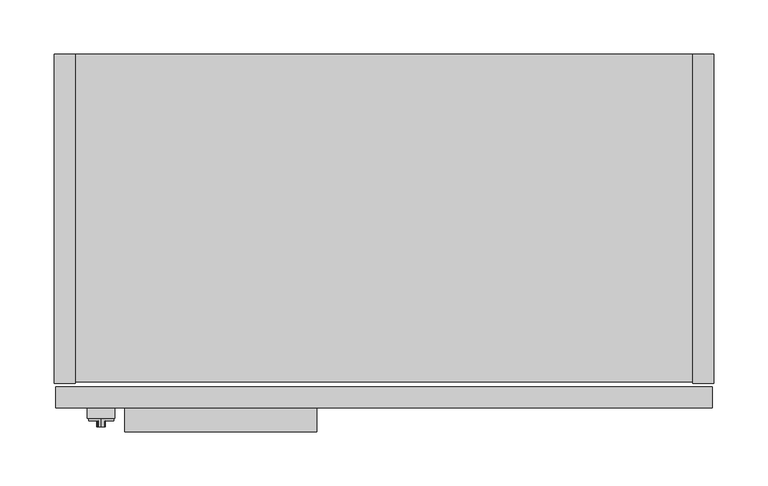
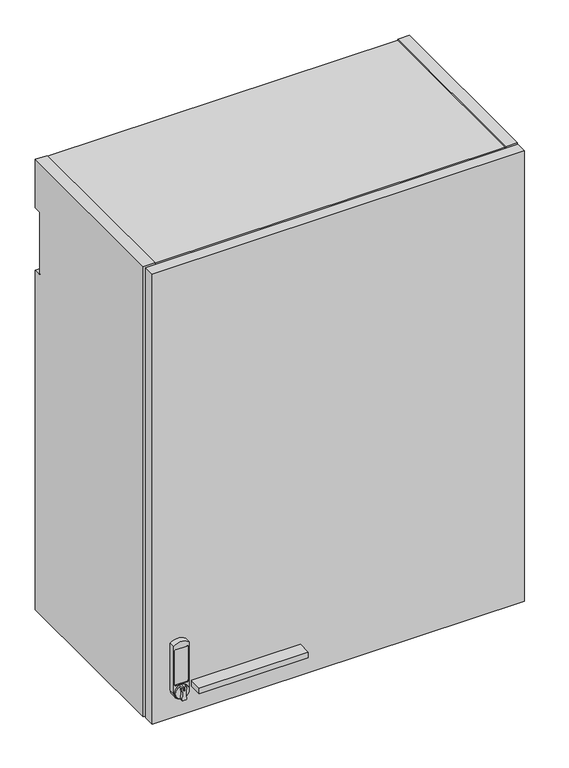
"""IFC4 building model written with IfcOpenShell, lengths in millimetres: furniture geometry."""

from ifc_helpers import new_model, si_unit, point, frame, frame_2d, origin, place, context, project, spatial, polyline, circle_curve, trimmed, segment, composite_curve, outline, extrude, source, transform, mapped, element, save
from ifc_brep_helpers import plane_surface, cylinder_surface, revolved_surface, advanced_brep


def furniture_9d9f69e7(model_context):
    return source(origin(), model_context, "Body", "SolidModel", [
        advanced_brep(
        [(43.4975, -344.551, 2244.5791484), (40.543813, -344.551, 2244.1909161), (39.6305336, -344.551, 2242.4339969), (39.6003845, -344.551, 2223.3009499), (40.543813, -344.551, 2222.1073808), (43.4975, -344.551, 2221.7191484), (46.451187, -344.551, 2222.1073808), (47.3946155, -344.551, 2223.3009499), (47.3644664, -344.551, 2242.4339969), (46.451187, -344.551, 2244.1909161), (42.7355, -344.551, 2242.5617878), (44.2595, -344.551, 2242.5617878), (44.2595, -344.551, 2239.2712263), (42.7355, -344.551, 2239.2712263), (43.4975, -336.931, 2244.5791484), (43.4975, -336.931, 2221.7191484), (46.451187, -339.1034403, 2244.1909161), (46.451187, -339.1034403, 2222.1073808), (40.543813, -339.1034403, 2222.1073808), (40.543813, -339.1034403, 2244.1909161), (39.6003845, -339.1034403, 2223.3009499), (39.6305336, -339.1034403, 2242.4339969), (47.3946155, -339.1034403, 2223.3009499), (47.3644664, -339.1034403, 2242.4339969), (42.7355, -343.3268699, 2239.2712263), (44.2595, -343.3268699, 2239.2712263), (44.2595, -343.3268699, 2242.5617878), (42.7355, -343.3268699, 2242.5617878)],
        [
            (0, 1, circle_curve(frame((43.4975, -344.551, 2233.1491484), z_axis=(0.0, -1.0, 0.0), x_axis=(0.0, 0.0, -1.0)), 11.43)),
            (1, 2, circle_curve(frame((41.08404, -344.551, 2242.7942665), z_axis=(0.0, -1.0, 0.0), x_axis=(0.0, 0.0, -1.0)), 1.4974896)),
            (2, 3, circle_curve(frame((1.2781576, -344.551, 2232.9278836), z_axis=(0.0, 1.0, 0.0), x_axis=(0.0, 0.0, -1.0)), 39.512921)),
            (3, 4, circle_curve(frame((41.08404, -344.551, 2223.5040303), z_axis=(0.0, -1.0, 0.0), x_axis=(0.0, 0.0, -1.0)), 1.4974896)),
            (4, 5, circle_curve(frame((43.4975, -344.551, 2233.1491484), z_axis=(0.0, -1.0, 0.0), x_axis=(0.0, 0.0, -1.0)), 11.43)),
            (5, 6, circle_curve(frame((43.4975, -344.551, 2233.1491484), z_axis=(0.0, -1.0, 0.0), x_axis=(0.0, 0.0, -1.0)), 11.43)),
            (6, 7, circle_curve(frame((45.91096, -344.551, 2223.5040303), z_axis=(0.0, -1.0, 0.0), x_axis=(0.0, 0.0, -1.0)), 1.4974896)),
            (7, 8, circle_curve(frame((85.7168424, -344.551, 2232.9278836), z_axis=(0.0, 1.0, 0.0), x_axis=(0.0, 0.0, -1.0)), 39.512921)),
            (8, 9, circle_curve(frame((45.91096, -344.551, 2242.7942665), z_axis=(0.0, -1.0, 0.0), x_axis=(0.0, 0.0, -1.0)), 1.4974896)),
            (9, 0, circle_curve(frame((43.4975, -344.551, 2233.1491484), z_axis=(0.0, -1.0, 0.0), x_axis=(0.0, 0.0, -1.0)), 11.43)),
            (10, 11, circle_curve(frame((43.4975, -344.551, 2242.5617878), z_axis=(0.0, 1.0, 0.0), x_axis=(0.0, 0.0, -1.0)), 0.762)),
            (11, 12),
            (12, 13, circle_curve(frame((43.4975, -344.551, 2239.2712263), z_axis=(0.0, 1.0, 0.0), x_axis=(0.0, 0.0, 1.0)), 0.762)),
            (13, 10),
            (14, 15, circle_curve(frame((43.4975, -336.931, 2233.1491484), z_axis=(0.0, 1.0, 0.0), x_axis=(0.0, 0.0, -1.0)), 11.43)),
            (15, 14, circle_curve(frame((43.4975, -336.931, 2233.1491484), z_axis=(0.0, 1.0, 0.0), x_axis=(0.0, 0.0, -1.0)), 11.43)),
            (14, 0),
            (9, 16),
            (16, 17, circle_curve(frame((43.4975, -339.1034403, 2233.1491484), z_axis=(0.0, 1.0, 0.0), x_axis=(0.0, 0.0, -1.0)), 11.43)),
            (17, 6),
            (5, 15),
            (4, 18),
            (18, 19, circle_curve(frame((43.4975, -339.1034403, 2233.1491484), z_axis=(0.0, 1.0, 0.0), x_axis=(0.0, 0.0, -1.0)), 11.43)),
            (19, 1),
            (20, 21, circle_curve(frame((1.2781576, -339.1034403, 2232.9278836), z_axis=(0.0, -1.0, 0.0), x_axis=(0.0, 0.0, -1.0)), 39.512921)),
            (21, 19, circle_curve(frame((41.08404, -339.1034403, 2242.7942665), z_axis=(0.0, 1.0, 0.0), x_axis=(0.0, 0.0, -1.0)), 1.4974896)),
            (18, 20, circle_curve(frame((41.08404, -339.1034403, 2223.5040303), z_axis=(0.0, 1.0, 0.0), x_axis=(0.0, 0.0, -1.0)), 1.4974896)),
            (22, 17, circle_curve(frame((45.91096, -339.1034403, 2223.5040303), z_axis=(0.0, 1.0, 0.0), x_axis=(0.0, 0.0, -1.0)), 1.4974896)),
            (16, 23, circle_curve(frame((45.91096, -339.1034403, 2242.7942665), z_axis=(0.0, 1.0, 0.0), x_axis=(0.0, 0.0, -1.0)), 1.4974896)),
            (23, 22, circle_curve(frame((85.7168424, -339.1034403, 2232.9278836), z_axis=(0.0, -1.0, 0.0), x_axis=(0.0, 0.0, -1.0)), 39.512921)),
            (3, 20),
            (21, 2),
            (23, 8),
            (7, 22),
            (24, 25, circle_curve(frame((43.4975, -343.3268699, 2239.2712263), z_axis=(0.0, -1.0, 0.0), x_axis=(0.0, 0.0, 1.0)), 0.762)),
            (25, 26),
            (26, 27, circle_curve(frame((43.4975, -343.3268699, 2242.5617878), z_axis=(0.0, -1.0, 0.0), x_axis=(0.0, 0.0, -1.0)), 0.762)),
            (27, 24),
            (27, 10),
            (13, 24),
            (26, 11),
            (25, 12),
        ],
        [
            plane_surface(frame((43.4975, -344.551, 2221.7191484), z_axis=(0.0, -1.0, 0.0), x_axis=(-1.0, 0.0, 0.0))),
            plane_surface(frame((43.4975, -336.931, 2221.7191484), z_axis=(0.0, 1.0, 0.0), x_axis=(1.0, 0.0, 0.0))),
            cylinder_surface(frame((43.4975, -336.931, 2233.1491484), z_axis=(0.0, -1.0, 0.0), x_axis=(0.0, 0.0, -1.0)), 11.43),
            plane_surface(frame((41.08404, -339.1034403, 2222.0065407), z_axis=(0.0, -1.0, 0.0), x_axis=(-1.0, 0.0, 0.0))),
            cylinder_surface(frame((41.08404, -339.1034403, 2223.5040303), z_axis=(0.0, 1.0, 0.0), x_axis=(0.0, 0.0, -1.0)), 1.4974896),
            cylinder_surface(frame((41.08404, -339.1034403, 2242.7942665), z_axis=(0.0, 1.0, 0.0), x_axis=(0.0, 0.0, -1.0)), 1.4974896),
            revolved_surface(polyline([(1.2781576, -344.551, 2193.4149626), (1.2781576, -339.1034403, 2193.4149626)]), (1.2781576, -339.1034403, 2232.9278836), (0.0, -1.0, 0.0)),
            revolved_surface(polyline([(85.7168424, -344.551, 2193.4149626), (85.7168424, -339.1034403, 2193.4149626)]), (85.7168424, -327.025, 2232.9278836), (0.0, -1.0, 0.0)),
            cylinder_surface(frame((45.91096, -327.025, 2242.7942665), z_axis=(0.0, 1.0, 0.0), x_axis=(0.0, 0.0, -1.0)), 1.4974896),
            cylinder_surface(frame((45.91096, -327.025, 2223.5040303), z_axis=(0.0, 1.0, 0.0), x_axis=(0.0, 0.0, -1.0)), 1.4974896),
            plane_surface(frame((42.7355, -343.3268699, 2318.3554451), z_axis=(0.0, -1.0, 0.0), x_axis=(0.0, 0.0, -1.0))),
            plane_surface(frame((42.7355, -344.551, 2239.2712263), z_axis=(1.0, 0.0, 0.0), x_axis=(0.0, 1.0, 0.0))),
            revolved_surface(polyline([(43.4975, -344.551, 2241.7997877999996), (43.4975, -343.3268699, 2241.7997877999996)]), (43.4975, -343.3268699, 2242.5617878), (0.0, -1.0, 0.0)),
            plane_surface(frame((44.2595, -344.551, 2242.5617878), z_axis=(-1.0, 0.0, 0.0), x_axis=(0.0, 1.0, 0.0))),
            revolved_surface(polyline([(43.4975, -344.551, 2240.0332263), (43.4975, -343.3268699, 2240.0332263)]), (43.4975, -343.3268699, 2239.2712263), (0.0, -1.0, 0.0)),
        ],
        [
            (0, [[1, 2, 3, 4, 5, 6, 7, 8, 9, 10], [11, 12, 13, 14]]),
            (1, [[15, 16]]),
            (2, [[17, -10, 18, 19, 20, -6, 21, -15]]),
            (2, [[-21, -5, 22, 23, 24, -1, -17, -16]]),
            (3, [[25, 26, -23, 27]]),
            (3, [[28, -19, 29, 30]]),
            (4, [[-22, -4, 31, -27]]),
            (5, [[32, -2, -24, -26]]),
            (6, [[-31, -3, -32, -25]]),
            (7, [[33, -8, 34, -30]]),
            (8, [[-18, -9, -33, -29]]),
            (9, [[-34, -7, -20, -28]]),
            (10, [[35, 36, 37, 38]]),
            (11, [[39, -14, 40, -38]]),
            (12, [[41, -11, -39, -37]]),
            (13, [[42, -12, -41, -36]]),
            (14, [[-40, -13, -42, -35]]),
        ],
    ),
        advanced_brep(
        [(30.7975, -336.931, 2313.7061718), (30.7975, -336.931, 2233.0156), (56.1975, -336.931, 2233.0156), (56.1975, -336.931, 2313.7061718), (54.9275, -336.931, 2248.3097734), (52.3875, -336.931, 2245.7697734), (34.6075, -336.931, 2245.7697734), (32.0675, -336.931, 2248.3097734), (32.0675, -336.931, 2304.9253259), (34.6075, -336.931, 2307.4653259), (52.3875, -336.931, 2307.4653259), (54.9275, -336.931, 2304.9253259), (30.7975, -327.025, 2313.7061718), (56.1975, -327.025, 2313.7061718), (56.1975, -327.025, 2233.0156), (30.7975, -327.025, 2233.0156), (52.3875, -335.4242162, 2307.4653259), (34.6075, -335.4242162, 2307.4653259), (32.0675, -335.4242162, 2304.9253259), (32.0675, -335.4242162, 2248.3097734), (34.6075, -335.4242162, 2245.7697734), (52.3875, -335.4242162, 2245.7697734), (54.9275, -335.4242162, 2248.3097734), (54.9275, -335.4242162, 2304.9253259)],
        [
            (0, 1),
            (1, 2, circle_curve(frame((43.4975, -336.931, 2233.0156), z_axis=(0.0, -1.0, 0.0), x_axis=(0.0, 0.0, -1.0)), 12.7)),
            (2, 3),
            (3, 0, circle_curve(frame((43.4975, -336.931, 2298.685087), z_axis=(0.0, -1.0, 0.0), x_axis=(0.0, 0.0, -1.0)), 19.6703582)),
            (4, 5, circle_curve(frame((52.3875, -336.931, 2248.3097734), z_axis=(0.0, 1.0, 0.0), x_axis=(0.0, 0.0, -1.0)), 2.54)),
            (5, 6),
            (6, 7, circle_curve(frame((34.6075, -336.931, 2248.3097734), z_axis=(0.0, 1.0, 0.0), x_axis=(0.0, 0.0, -1.0)), 2.54)),
            (7, 8),
            (8, 9, circle_curve(frame((34.6075, -336.931, 2304.9253259), z_axis=(0.0, 1.0, 0.0), x_axis=(0.0, 0.0, -1.0)), 2.54)),
            (9, 10),
            (10, 11, circle_curve(frame((52.3875, -336.931, 2304.9253259), z_axis=(0.0, 1.0, 0.0), x_axis=(0.0, 0.0, -1.0)), 2.54)),
            (11, 4),
            (12, 13, circle_curve(frame((43.4975, -327.025, 2298.685087), z_axis=(0.0, 1.0, 0.0), x_axis=(0.0, 0.0, -1.0)), 19.6703582)),
            (13, 14),
            (14, 15, circle_curve(frame((43.4975, -327.025, 2233.0156), z_axis=(0.0, 1.0, 0.0), x_axis=(0.0, 0.0, -1.0)), 12.7)),
            (15, 12),
            (2, 14),
            (13, 3),
            (0, 12),
            (15, 1),
            (16, 17),
            (17, 18, circle_curve(frame((34.6075, -335.4242162, 2304.9253259), z_axis=(0.0, -1.0, 0.0), x_axis=(0.0, 0.0, -1.0)), 2.54)),
            (18, 19),
            (19, 20, circle_curve(frame((34.6075, -335.4242162, 2248.3097734), z_axis=(0.0, -1.0, 0.0), x_axis=(0.0, 0.0, -1.0)), 2.54)),
            (20, 21),
            (21, 22, circle_curve(frame((52.3875, -335.4242162, 2248.3097734), z_axis=(0.0, -1.0, 0.0), x_axis=(0.0, 0.0, -1.0)), 2.54)),
            (22, 23),
            (23, 16, circle_curve(frame((52.3875, -335.4242162, 2304.9253259), z_axis=(0.0, -1.0, 0.0), x_axis=(0.0, 0.0, -1.0)), 2.54)),
            (22, 4),
            (11, 23),
            (20, 6),
            (5, 21),
            (18, 8),
            (7, 19),
            (16, 10),
            (9, 17),
        ],
        [
            plane_surface(frame((43.4975, -336.931, 2279.0147288), z_axis=(0.0, -1.0, 0.0), x_axis=(-1.0, 0.0, 0.0))),
            plane_surface(frame((43.4975, -327.025, 2279.0147288), z_axis=(0.0, 1.0, 0.0), x_axis=(1.0, 0.0, 0.0))),
            plane_surface(frame((56.1975, -336.931, 2313.7061718), z_axis=(1.0, 0.0, 0.0), x_axis=(0.0, 1.0, 0.0))),
            plane_surface(frame((30.7975, -336.931, 2233.0156), z_axis=(-1.0, 0.0, 2.7958673908800244e-12), x_axis=(0.0, 1.0, 0.0))),
            plane_surface(frame((52.3875, -335.4242162, 2302.3853259), z_axis=(0.0, -1.0, 0.0), x_axis=(1.0, 0.0, 0.0))),
            cylinder_surface(frame((43.4975, -327.025, 2233.0156), z_axis=(0.0, -1.0, 0.0), x_axis=(0.0, 0.0, -1.0)), 12.7),
            plane_surface(frame((54.9275, -343.3268699, 2304.9253259), z_axis=(-1.0, 0.0, -3.0438306120267246e-12), x_axis=(0.0, 1.0, 0.0))),
            plane_surface(frame((52.3875, -343.3268699, 2245.7697734), z_axis=(0.0, 0.0, 1.0), x_axis=(0.0, 1.0, 0.0))),
            plane_surface(frame((32.0675, -343.3268699, 2248.3097734), z_axis=(1.0, 0.0, 0.0), x_axis=(0.0, 1.0, 0.0))),
            plane_surface(frame((34.6075, -343.3268699, 2307.4653259), z_axis=(0.0, 0.0, -1.0), x_axis=(0.0, 1.0, 0.0))),
            revolved_surface(polyline([(52.3875, -336.931, 2302.3853259), (52.3875, -335.4242162, 2302.3853259)]), (52.3875, -335.4242162, 2304.9253259), (0.0, -1.0, 0.0)),
            revolved_surface(polyline([(52.3875, -336.931, 2245.7697734), (52.3875, -335.4242162, 2245.7697734)]), (52.3875, -335.4242162, 2248.3097734), (0.0, -1.0, 0.0)),
            revolved_surface(polyline([(34.6075, -336.931, 2245.7697734), (34.6075, -335.4242162, 2245.7697734)]), (34.6075, -335.4242162, 2248.3097734), (0.0, -1.0, 0.0)),
            revolved_surface(polyline([(34.6075, -336.931, 2302.3853259), (34.6075, -335.4242162, 2302.3853259)]), (34.6075, -335.4242162, 2304.9253259), (0.0, -1.0, 0.0)),
            cylinder_surface(frame((43.4975, -327.025, 2298.685087), z_axis=(0.0, -1.0, 0.0), x_axis=(0.0, 0.0, -1.0)), 19.6703582),
        ],
        [
            (0, [[1, 2, 3, 4], [5, 6, 7, 8, 9, 10, 11, 12]]),
            (1, [[13, 14, 15, 16]]),
            (2, [[17, -14, 18, -3]]),
            (3, [[19, -16, 20, -1]]),
            (4, [[21, 22, 23, 24, 25, 26, 27, 28]]),
            (5, [[-20, -15, -17, -2]]),
            (6, [[29, -12, 30, -27]]),
            (7, [[31, -6, 32, -25]]),
            (8, [[33, -8, 34, -23]]),
            (9, [[35, -10, 36, -21]]),
            (10, [[-30, -11, -35, -28]]),
            (11, [[-32, -5, -29, -26]]),
            (12, [[-34, -7, -31, -24]]),
            (13, [[-36, -9, -33, -22]]),
            (14, [[-18, -13, -19, -4]]),
        ],
    ),
        extrude(outline(polyline([(242.8875, -349.25), (65.0875, -349.25), (65.0875, -327.025), (242.8875, -327.025), (242.8875, -349.25)])), frame((0.0, 0.0, 2228.2531), z_axis=(0.0, 0.0, 1.0), x_axis=(1.0, 0.0, 0.0)), (0.0, 0.0, 1.0), 9.525),
        extrude(outline(polyline([(609.6, -304.546), (590.296, -304.546), (590.296, 0.0), (609.6, 0.0), (609.6, -304.546)])), frame((0.0, 0.0, 2184.4), z_axis=(0.0, 0.0, 1.0), x_axis=(1.0, 0.0, 0.0)), (0.0, 0.0, 1.0), 774.7),
        extrude(outline(polyline([(590.296, -303.022), (19.304, -303.022), (19.304, -12.7), (590.296, -12.7), (590.296, -303.022)])), frame((0.0, 0.0, 2185.924), z_axis=(0.0, 0.0, 1.0), x_axis=(1.0, 0.0, 0.0)), (0.0, 0.0, 1.0), 19.304),
        extrude(outline(polyline([(590.296, -12.7), (590.296, -32.004), (19.304, -32.004), (19.304, -12.7), (590.296, -12.7)])), frame((0.0, 0.0, 2205.228), z_axis=(0.0, 0.0, 1.0), x_axis=(1.0, 0.0, 0.0)), (0.0, 0.0, 1.0), 734.568),
        extrude(outline(composite_curve([segment(polyline([(-304.546, 2184.4), (-304.546, 2959.1), (0.0, 2959.1), (0.0, 2876.042), (-9.5254487, 2876.042)]), True, "CONTINUOUS"), segment(trimmed(circle_curve(frame_2d((-9.5254487, 2872.8674487)), 3.1745513), [point((-9.5254487, 2876.042))], [point((-12.7, 2872.8674487))], True, "CARTESIAN"), True, "CONTINUOUS"), segment(polyline([(-12.7, 2872.8674487), (-12.7, 2771.267)]), True, "CONTINUOUS"), segment(trimmed(circle_curve(frame_2d((-9.525, 2771.267)), 3.175), [point((-12.7, 2771.267))], [point((-9.525, 2768.092))], True, "CARTESIAN"), True, "CONTINUOUS"), segment(polyline([(-9.525, 2768.092), (0.0, 2768.092), (0.0, 2184.4), (-304.546, 2184.4)]), True, "CONTINUOUS")], self_intersect=False)), frame((0.0, 0.0, 0.0), z_axis=(1.0, 0.0, 0.0), x_axis=(0.0, 1.0, 0.0)), (0.0, 0.0, 1.0), 19.304),
        extrude(outline(polyline([(590.296, -303.022), (19.304, -303.022), (19.304, 0.0), (590.296, 0.0), (590.296, -303.022)])), frame((0.0, 0.0, 2939.796), z_axis=(0.0, 0.0, 1.0), x_axis=(1.0, 0.0, 0.0)), (0.0, 0.0, 1.0), 17.78),
        extrude(outline(polyline([(608.0125, -327.025), (1.5875, -327.025), (1.5875, -307.721), (608.0125, -307.721), (608.0125, -327.025)])), frame((0.0, 0.0, 2184.4), z_axis=(0.0, 0.0, 1.0), x_axis=(1.0, 0.0, 0.0)), (0.0, 0.0, 1.0), 774.7),
    ])


if __name__ == "__main__":
    model = new_model("IFC4")
    model_context = context("Model", 3, world=origin())
    ifc_project = project(units=[si_unit("LENGTHUNIT", "METRE", prefix="MILLI")], contexts=[model_context])
    site = spatial("IfcSite", under=ifc_project)
    building = spatial("IfcBuilding", under=site)
    placement = place(None, origin())
    furniture_shape = furniture_9d9f69e7(model_context)
    element("IfcFurniture", 1, at=placement, inside=building, context=model_context, shape_type="MappedRepresentation", body=[
        mapped(furniture_shape, transform((0.0, 0.0, 0.0), x_axis=(1.0, 0.0, 0.0), y_axis=(0.0, 1.0, 0.0), z_axis=(0.0, 0.0, 1.0))),
    ])
    save(model, "model.ifc")
